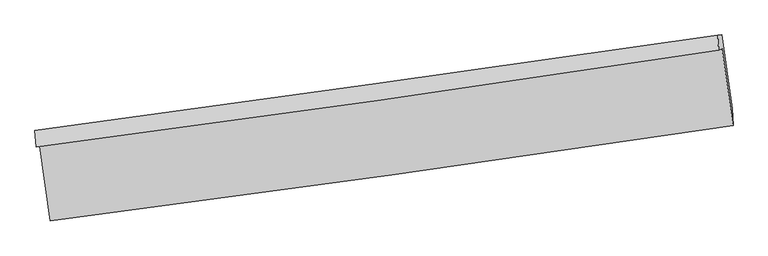
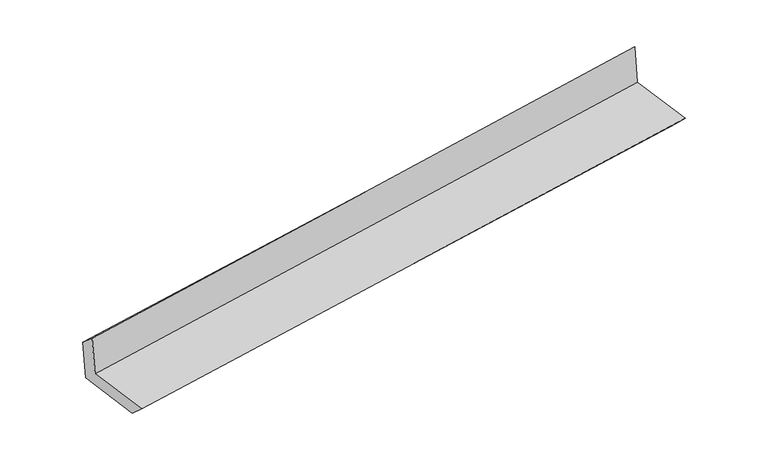
"""IFC4 building model written with IfcOpenShell, lengths in millimetres: proxy geometry."""

from ifc_helpers import new_model, si_unit, frame, origin, place, context, project, spatial, source, transform, mapped, element, save
from ifc_brep_helpers import plane_surface, spline_curve, spline_surface, advanced_brep


def generic_models_bb5de869(model_context):
    return source(origin(), model_context, "Body", "AdvancedBrep", [
        advanced_brep(
        [(-3000.5384929, -1921.8910375, 1650.4775764), (-2908.4323304, -2572.8114704, 1642.3203095), (3047.6955355, -1740.0396356, 2144.5860019), (2952.7203716, -1068.9460453, 2153.1674842), (-3033.0569995, -1927.8972634, 2045.6439736), (2920.5604982, -1078.5732272, 2550.1094898), (-3042.6174535, -1782.6039977, 1917.1868968), (2914.6601251, -949.2327594, 2404.8373627), (-3009.9703194, -1779.6480962, 1525.5712169), (2947.3136715, -946.2762773, 2013.1447647), (-2917.5106988, -2426.4836364, 1506.4320013), (3039.0660796, -1588.1642505, 1994.1519427)],
        [
            (0, 1),
            (1, 2, spline_curve(3, [(-2908.4323304, -2572.8114704, 1642.3203095), (-1914.961212223, -2444.067119973, 1733.534706465), (-921.88411203, -2310.297659174, 1820.99719125), (1063.491850765, -2032.707146995, 1988.419162772), (2055.790706252, -1888.885995904, 2068.378575675), (3047.6955355, -1740.0396356, 2144.5860019)], [4, 2, 4], [0.0, 9.900117928997267, 19.800333595626824])),
            (2, 3),
            (3, 0, spline_curve(3, [(2952.7203716, -1068.9460453, 2153.1674842), (1961.270955903, -1221.026884274, 2076.946407228), (969.438892169, -1368.146379232, 1996.944817322), (-1014.980736954, -1652.461278744, 1829.381440398), (-2007.56829462, -1789.656780992, 1741.819727127), (-3000.5384929, -1921.8910375, 1650.4775764)], [4, 2, 4], [0.0, 9.900215666629558, 19.800333595626824])),
            (4, 0),
            (3, 5),
            (5, 4, spline_curve(3, [(2920.5604982, -1078.5732272, 2550.1094898), (1929.193298613, -1231.250849402, 2473.907344823), (937.372455866, -1378.366985136, 2393.767252292), (-1047.166718661, -1661.474887598, 2225.61200255), (-2039.885042097, -1797.466763769, 2137.596922731), (-3033.0569995, -1927.8972634, 2045.6439736)], [4, 2, 4], [0.0, 9.900221607598642, 19.80034547750634])),
            (6, 4),
            (5, 7),
            (7, 6, spline_curve(3, [(2914.6601251, -949.2327594, 2404.8373627), (1922.02131349, -1091.375256148, 2326.171773515), (929.2596584, -1231.894442772, 2246.201233092), (-1056.499536573, -1509.68482341, 2083.651052082), (-2049.497074542, -1646.956049749, 2001.071437118), (-3042.6174535, -1782.6039977, 1917.1868968)], [4, 2, 4], [0.0, 9.900089468933599, 19.800081201480765])),
            (8, 6),
            (7, 9),
            (9, 8, spline_curve(3, [(2947.3136715, -946.2762773, 2013.1447647), (1954.671653795, -1088.419064392, 1934.517634573), (961.907861204, -1228.938444388, 1854.572733709), (-1023.853471167, -1506.729018793, 1692.048191539), (-2016.851009118, -1644.000245153, 1609.468576854), (-3009.9703194, -1779.6480962, 1525.5712169)], [4, 2, 4], [0.0, 9.90003738262632, 19.799977029380415])),
            (10, 8),
            (9, 11),
            (11, 10, spline_curve(3, [(3039.0660796, -1588.1642505, 1994.1519427), (2045.363236883, -1722.885642406, 1915.744404421), (1052.127969207, -1860.106644233, 1835.89709894), (-933.397614133, -2139.546489207, 1673.323756748), (-1925.687939705, -2281.765282185, 1590.597748406), (-2917.5106988, -2426.4836364, 1506.4320013)], [4, 2, 4], [0.0, 9.900026993776198, 19.799956251782735])),
            (1, 10),
            (11, 2),
        ],
        [
            spline_surface(3, 3, [[(-3000.5384929, -1921.8910375, 1650.4775764), (-2007.568294525, -1789.656780985, 1741.819727261), (-1014.980736924, -1652.461278719, 1829.381440237), (969.438892139, -1368.146379257, 1996.944817483), (1961.270956022, -1221.026884165, 2076.946407103), (2952.7203716, -1068.9460453, 2153.1674842)], [(-2969.836438731, -2138.864515123, 1647.758487428), (-1976.699267036, -2007.793560654, 1739.058053671), (-983.948528664, -1871.740072231, 1826.58669059), (1000.789878412, -1589.666635123, 1994.102932605), (1992.777539464, -1443.646588119, 2074.090463241), (2984.378759585, -1292.643908722, 2150.306990101)], [(-2939.134384569, -2355.837992777, 1645.039398472), (-1945.830239552, -2225.930340351, 1736.296380098), (-952.916320444, -2091.018865772, 1823.791940881), (1032.140864646, -1811.186891017, 1991.261047666), (2024.28412285, -1666.266292107, 2071.234519377), (3016.037147515, -1516.341772178, 2147.446495999)], [(-2908.4323304, -2572.8114704, 1642.3203095), (-1914.961212063, -2444.06712002, 1733.534706509), (-921.884112185, -2310.297659285, 1820.997191233), (1063.49185092, -2032.707146883, 1988.419162789), (2055.790706292, -1888.885996061, 2068.378575515), (3047.6955355, -1740.0396356, 2144.5860019)]], [4, 4], [4, 2, 4], [0.0, 2.1910787226299666], [0.0, 9.900117928997267, 19.800333595626824]),
            spline_surface(3, 3, [[(-3033.0569995, -1927.8972634, 2045.6439736), (-2039.885042226, -1797.466763609, 2137.596922879), (-1047.166718817, -1661.474887509, 2225.612002516), (937.372456022, -1378.366985225, 2393.767252325), (1929.193298548, -1231.250849311, 2473.907344774), (2920.5604982, -1078.5732272, 2550.1094898)], [(-3022.217497328, -1925.895188105, 1913.921841193), (-2029.11279302, -1794.863436073, 2005.671190999), (-1036.438058193, -1658.470351251, 2093.53514843), (948.061268054, -1374.960116574, 2261.493107385), (1939.885851037, -1227.84286094, 2341.587032221), (2931.280455998, -1075.364166578, 2417.795487937)], [(-3011.377995072, -1923.893112795, 1782.199708807), (-2018.340543731, -1792.260108521, 1873.74545914), (-1025.709397548, -1655.465814977, 1961.458294323), (958.750080107, -1371.553247908, 2129.218962424), (1950.578403533, -1224.434872535, 2209.266719656), (2942.000413802, -1072.155105922, 2285.481486063)], [(-3000.5384929, -1921.8910375, 1650.4775764), (-2007.568294525, -1789.656780985, 1741.819727261), (-1014.980736924, -1652.461278719, 1829.381440237), (969.438892139, -1368.146379257, 1996.944817483), (1961.270956022, -1221.026884165, 2076.946407103), (2952.7203716, -1068.9460453, 2153.1674842)]], [4, 4], [4, 2, 4], [0.0, 1.3055840436367945], [0.0, 9.900123869907699, 19.80034547750634]),
            spline_surface(3, 3, [[(-3042.6174535, -1782.6039977, 1917.1868968), (-2049.497074578, -1646.956049786, 2001.071437188), (-1056.49953673, -1509.684823452, 2083.651052053), (929.259658557, -1231.89444273, 2246.20123312), (1922.021313587, -1091.37525631, 2326.171773552), (2914.6601251, -949.2327594, 2404.8373627)], [(-3039.430635499, -1831.035086285, 1960.005922397), (-2046.293063793, -1697.126287745, 2046.579932416), (-1053.388597422, -1560.281511489, 2130.971368852), (931.963924382, -1280.718623579, 2295.389906167), (1924.411975229, -1138.000453974, 2375.416963945), (2916.626916122, -992.346248664, 2453.261405053)], [(-3036.243817501, -1879.466174815, 2002.824948003), (-2043.089053011, -1747.29652565, 2092.088427651), (-1050.277658125, -1610.878199472, 2178.291685717), (934.668190197, -1329.542804375, 2344.578579279), (1926.802636906, -1184.625651646, 2424.662154381), (2918.593707178, -1035.459737936, 2501.685447447)], [(-3033.0569995, -1927.8972634, 2045.6439736), (-2039.885042226, -1797.466763609, 2137.596922879), (-1047.166718817, -1661.474887509, 2225.612002516), (937.372456022, -1378.366985225, 2393.767252325), (1929.193298548, -1231.250849311, 2473.907344774), (2920.5604982, -1078.5732272, 2550.1094898)]], [4, 4], [4, 2, 4], [0.0, 0.6824833053191819], [0.0, 9.899991732547166, 19.800081201480765]),
            spline_surface(3, 3, [[(-3009.9703194, -1779.6480962, 1525.5712169), (-2016.851009178, -1644.000245047, 1609.468576779), (-1023.85347133, -1506.729018713, 1692.048191644), (961.907861367, -1228.938444468, 1854.572733604), (1954.671653834, -1088.419064498, 1934.517634656), (2947.3136715, -946.2762773, 2013.1447647)], [(-3020.852697433, -1780.633396686, 1656.109776874), (-2027.733030978, -1644.985513279, 1740.002863589), (-1034.73549313, -1507.714286945, 1822.582478454), (951.025127097, -1229.923777208, 1985.115566783), (1943.788207087, -1089.404461746, 2065.069014289), (2936.429156035, -947.261771311, 2143.708964034)], [(-3031.735075467, -1781.618697214, 1786.648336826), (-2038.615052778, -1645.970781554, 1870.537150378), (-1045.61751493, -1508.69955522, 1953.116765243), (940.142392827, -1230.909109991, 2115.658399941), (1932.904760334, -1090.389859062, 2195.620393919), (2925.544640565, -948.247265389, 2274.273163366)], [(-3042.6174535, -1782.6039977, 1917.1868968), (-2049.497074578, -1646.956049786, 2001.071437188), (-1056.49953673, -1509.684823452, 2083.651052053), (929.259658557, -1231.89444273, 2246.20123312), (1922.021313587, -1091.37525631, 2326.171773552), (2914.6601251, -949.2327594, 2404.8373627)]], [4, 4], [4, 2, 4], [0.0, 1.289321715201209], [0.0, 9.899939646754095, 19.799977029380415]),
            spline_surface(3, 3, [[(-2917.5106988, -2426.4836364, 1506.4320013), (-1925.687939563, -2281.76528234, 1590.597748272), (-933.397614246, -2139.546489049, 1673.323756735), (1052.12796932, -1860.106644391, 1835.897098954), (2045.363236807, -1722.885642392, 1915.744404308), (3039.0660796, -1588.1642505, 1994.1519427)], [(-2948.330572323, -2210.871789663, 1512.81173983), (-1956.075629424, -2069.176936572, 1596.888024438), (-963.549566612, -1928.607332287, 1679.56523505), (1022.054599997, -1649.717244434, 1842.122310516), (2015.132709155, -1511.396783097, 1922.00214777), (3008.481943572, -1374.20159277, 2000.48288338)], [(-2979.150445877, -1995.259942937, 1519.19147837), (-1986.463319316, -1856.588590815, 1603.178300613), (-993.701518963, -1717.668175474, 1685.806713329), (991.98123069, -1439.327844425, 1848.347522041), (1984.902181487, -1299.907923793, 1928.259891194), (2977.897807528, -1160.23893503, 2006.81382402)], [(-3009.9703194, -1779.6480962, 1525.5712169), (-2016.851009178, -1644.000245047, 1609.468576779), (-1023.85347133, -1506.729018713, 1692.048191644), (961.907861367, -1228.938444468, 1854.572733604), (1954.671653834, -1088.419064498, 1934.517634656), (2947.3136715, -946.2762773, 2013.1447647)]], [4, 4], [4, 2, 4], [0.0, 2.0954413260837854], [0.0, 9.899929258006537, 19.799956251782735]),
            spline_surface(3, 3, [[(-2908.4323304, -2572.8114704, 1642.3203095), (-1914.961212063, -2444.06712002, 1733.534706509), (-921.884112185, -2310.297659285, 1820.997191233), (1063.49185092, -2032.707146883, 1988.419162789), (2055.790706292, -1888.885996061, 2068.378575515), (3047.6955355, -1740.0396356, 2144.5860019)], [(-2911.458453185, -2524.035525738, 1597.024206778), (-1918.536787882, -2389.966507465, 1685.889053774), (-925.72194621, -2253.380602523, 1771.772713043), (1059.703890382, -1975.173646036, 1937.578474819), (2052.314883118, -1833.55254486, 2017.500518441), (3044.819050188, -1689.414507255, 2094.441315495)], [(-2914.484576015, -2475.259581062, 1551.728104022), (-1922.112363745, -2335.865894895, 1638.243401006), (-929.559780221, -2196.463545811, 1722.548234925), (1055.915929858, -1917.640145238, 1886.737786923), (2048.839059981, -1778.219093593, 1966.622461382), (3041.942564912, -1638.789378845, 2044.296629105)], [(-2917.5106988, -2426.4836364, 1506.4320013), (-1925.687939563, -2281.76528234, 1590.597748272), (-933.397614246, -2139.546489049, 1673.323756735), (1052.12796932, -1860.106644391, 1835.897098954), (2045.363236807, -1722.885642392, 1915.744404308), (3039.0660796, -1588.1642505, 1994.1519427)]], [4, 4], [4, 2, 4], [0.0, 0.7491011851701335], [0.0, 9.899942097327925, 19.799981930552264]),
            plane_surface(frame((2970.3360469, -1228.5386992, 2209.9995077), z_axis=(0.9868384835548545, 0.1385949580723943, 0.08331413428744552), x_axis=(-0.0830747041657232, -0.007521659890279965, 0.9965149362454496))),
            plane_surface(frame((-2985.3543824, -2068.555917, 1714.6053291), z_axis=(-0.9868384835549545, -0.13859495807193964, -0.08331413428701903), x_axis=(-0.14009493859755864, 0.9900603346630115, 0.012407332763820106))),
        ],
        [
            (0, [[1, 2, 3, 4]]),
            (1, [[5, -4, 6, 7]]),
            (2, [[8, -7, 9, 10]]),
            (3, [[11, -10, 12, 13]]),
            (4, [[14, -13, 15, 16]]),
            (5, [[17, -16, 18, -2]]),
            (6, [[-12, -9, -6, -3, -18, -15]]),
            (7, [[-1, -5, -8, -11, -14, -17]]),
        ],
    ),
    ])


if __name__ == "__main__":
    model = new_model("IFC4")
    model_context = context("Model", 3, world=origin())
    ifc_project = project(units=[si_unit("LENGTHUNIT", "METRE", prefix="MILLI")], contexts=[model_context])
    site = spatial("IfcSite", under=ifc_project)
    building = spatial("IfcBuilding", under=site)
    placement = place(None, origin())
    generic_models_shape = generic_models_bb5de869(model_context)
    element("IfcBuildingElementProxy", 1, Name="Generic Models", at=placement, inside=building, context=model_context, shape_type="MappedRepresentation", body=[
        mapped(generic_models_shape, transform((0.0, 0.0, 0.0), x_axis=(1.0, 0.0, 0.0), y_axis=(0.0, 1.0, 0.0), z_axis=(0.0, 0.0, 1.0))),
    ])
    save(model, "model.ifc")
